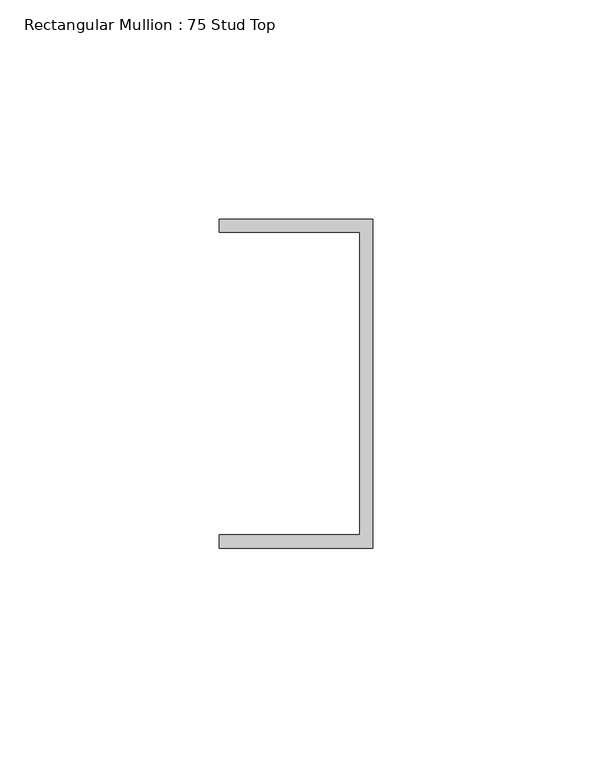
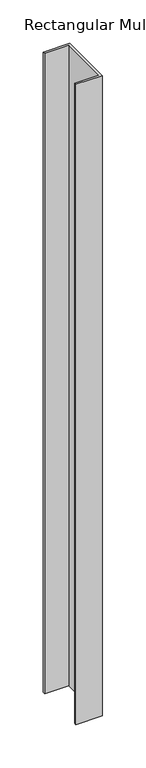
"""IFC4 building model written with IfcOpenShell, lengths in millimetres: member geometry, Rectangular Mullion : 75 Stud Top."""

from ifc_helpers import new_model, si_unit, frame, origin, place, context, project, spatial, polyline, outline, extrude, source, transform, mapped, element, save


def rectangular_mullion_75_stud_top_6d549c48(model_context):
    return source(origin(), model_context, "Body", "SweptSolid", [
        extrude(outline(polyline([(0.0, 37.5), (0.0, -37.5), (-35.0, -37.5), (-35.0, -34.5), (-3.0, -34.5), (-3.0, 34.5), (-35.0, 34.5), (-35.0, 37.5), (0.0, 37.5)])), frame((0.0, 0.0, -900.0), z_axis=(0.0, 0.0, 1.0), x_axis=(1.0, 0.0, 0.0)), (0.0, 0.0, 1.0), 900.0),
    ])


if __name__ == "__main__":
    model = new_model("IFC4")
    model_context = context("Model", 3, world=origin())
    ifc_project = project(units=[si_unit("LENGTHUNIT", "METRE", prefix="MILLI")], contexts=[model_context])
    site = spatial("IfcSite", under=ifc_project)
    building = spatial("IfcBuilding", under=site)
    placement = place(None, origin())
    rectangular_mullion_75_stud_top_shape = rectangular_mullion_75_stud_top_6d549c48(model_context)
    element("IfcMember", 1, ObjectType="Rectangular Mullion : 75 Stud Top", at=placement, inside=building, context=model_context, shape_type="MappedRepresentation", body=[
        mapped(rectangular_mullion_75_stud_top_shape, transform((0.0, 0.0, 0.0), x_axis=(1.0, 0.0, 0.0), y_axis=(0.0, 1.0, 0.0), z_axis=(0.0, 0.0, 1.0))),
    ])
    save(model, "model.ifc")
